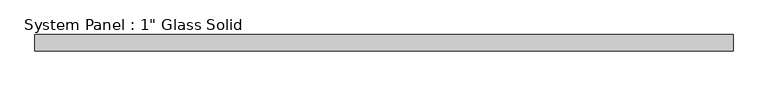
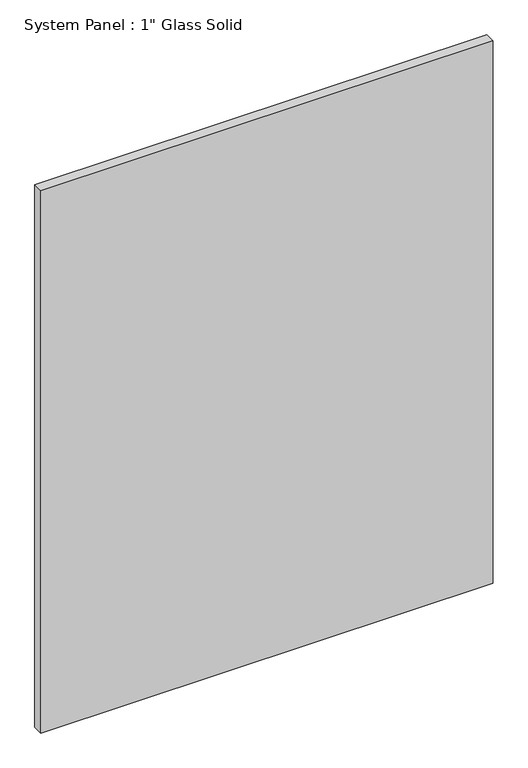
"""IFC4 building model written with IfcOpenShell, lengths in millimetres: plate geometry."""

from ifc_helpers import new_model, si_unit, origin, origin_with_axes, place, context, project, spatial, polyline, outline, extrude, source, transform, mapped, element, save


def plate_72e87001(model_context):
    return source(origin(), model_context, "Body", "SweptSolid", [
        extrude(outline(polyline([(548.2680865, -12.7), (-548.2680865, -12.7), (-548.2680865, 12.7), (548.2680865, 12.7), (548.2680865, -12.7)])), origin_with_axes(), (0.0, 0.0, 1.0), 1390.5394027),
    ])


if __name__ == "__main__":
    model = new_model("IFC4")
    model_context = context("Model", 3, world=origin())
    ifc_project = project(units=[si_unit("LENGTHUNIT", "METRE", prefix="MILLI")], contexts=[model_context])
    site = spatial("IfcSite", under=ifc_project)
    building = spatial("IfcBuilding", under=site)
    placement = place(None, origin())
    plate_shape = plate_72e87001(model_context)
    element("IfcPlate", 1, ObjectType="System Panel : 1\" Glass Solid", at=placement, inside=building, context=model_context, shape_type="MappedRepresentation", body=[
        mapped(plate_shape, transform((0.0, 0.0, 0.0), x_axis=(1.0, 0.0, 0.0), y_axis=(0.0, 1.0, 0.0), z_axis=(0.0, 0.0, 1.0))),
    ])
    save(model, "model.ifc")
